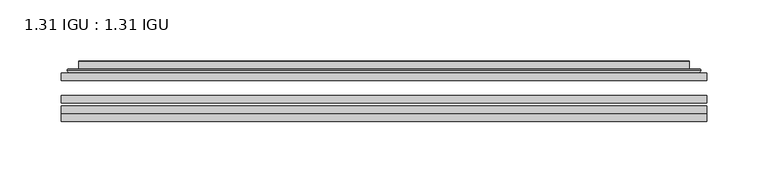
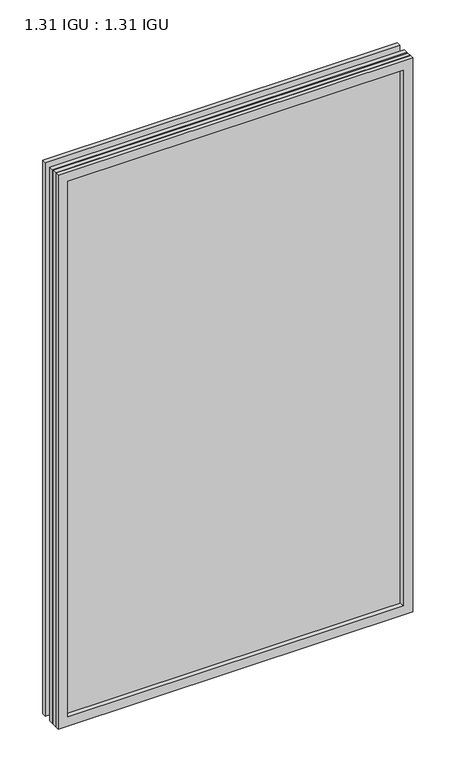
"""IFC4 building model written with IfcOpenShell, lengths in millimetres: plate geometry, 1.31 IGU : 1.31 IGU."""

from ifc_helpers import new_model, si_unit, frame, origin, place, context, project, spatial, polyline, ellipse_curve, outline, extrude, faceted_brep, source, transform, mapped, element, save
from ifc_brep_helpers import plane_surface, cylinder_surface, advanced_brep


def plate_1_31_igu_1_31_igu_712f3cf4(model_context):
    return source(origin(), model_context, "Body", "SolidModel", [
        extrude(outline(polyline([(263.539175, -63.59525), (263.539175, -69.94525), (-263.525, -69.94525), (-263.525, -63.59525), (263.539175, -63.59525)])), frame((0.0, 0.0, -14.2875), z_axis=(0.0, 0.0, 1.0), x_axis=(1.0, 0.0, 0.0)), (0.0, 0.0, 1.0), 869.9537979),
        extrude(outline(polyline([(-263.525, -78.58125), (-263.525, -72.230745), (263.539175, -72.230745), (263.539175, -78.58125), (-263.525, -78.58125)])), frame((0.0, 0.0, -14.2875), z_axis=(0.0, 0.0, 1.0), x_axis=(1.0, 0.0, 0.0)), (0.0, 0.0, 1.0), 869.9537979),
        extrude(outline(polyline([(263.539175, -45.25645), (263.539175, -51.60645), (-263.525, -51.60645), (-263.525, -45.25645), (263.539175, -45.25645)])), frame((0.0, 0.0, -14.2875), z_axis=(0.0, 0.0, 1.0), x_axis=(1.0, 0.0, 0.0)), (0.0, 0.0, 1.0), 869.9537979),
        faceted_brep([(-263.5377, -84.93125, 855.6752), (-263.5377, -78.58125, 855.6752), (-263.5377, -78.58125, -14.3002), (-263.5377, -84.93125, -14.3002), (263.5377, -78.58125, -14.3002), (263.5377, -84.93125, -14.3002), (263.5377, -78.58125, 855.6752), (263.5377, -84.93125, 855.6752), (-248.3397559, -78.58125, 0.8977441), (248.3397559, -78.58125, 0.8977441), (248.3397559, -78.58125, 840.4772559), (-248.3397559, -78.58125, 840.4772559), (-249.2321902, -84.93125, 841.3696902), (249.2321902, -84.93125, 841.3696902), (249.2321902, -84.93125, 0.0053098), (-249.2321902, -84.93125, 0.0053098)], [[[0, 1, 2, 3]], [[3, 2, 4, 5]], [[5, 4, 6, 7]], [[1, 6, 4, 2], [8, 9, 10, 11]], [[7, 6, 1, 0]], [[3, 5, 7, 0], [12, 13, 14, 15]], [[11, 12, 15, 8]], [[8, 15, 14, 9]], [[9, 14, 13, 10]], [[10, 13, 12, 11]]]),
        advanced_brep(
        [(-256.283719, -45.25645, 848.4212191), (-258.6379244, -43.2667833, 850.7754244), (-258.6379244, -43.2667833, -9.4004244), (-256.283719, -45.25645, -7.046219), (-247.2093939, -41.416413, 839.3468939), (-242.2745621, -45.25645, 834.4120621), (-242.2745621, -45.25645, 6.9629379), (-247.2093939, -41.416413, 2.0281061), (-248.2414217, -36.0191819, 840.3789217), (-248.2414217, -36.0191819, 0.9960783), (-249.2320784, -35.6202069, 841.3695784), (-249.2320784, -35.6202069, 0.0054216), (-249.2320784, -42.08145, 841.3695784), (-249.2320784, -42.08145, 0.0054216), (-257.6361349, -42.08145, 849.7736349), (-257.6361349, -42.08145, -8.3986349), (258.6379244, -43.2667833, -9.4004244), (256.283719, -45.25645, -7.046219), (242.2745621, -45.25645, 6.9629379), (247.2093939, -41.416413, 2.0281061), (248.2414217, -36.0191819, 0.9960783), (249.2320784, -35.6202069, 0.0054216), (249.2320784, -42.08145, 0.0054216), (257.6361349, -42.08145, -8.3986349), (258.6379244, -43.2667833, 850.7754244), (256.283719, -45.25645, 848.4212191), (242.2745621, -45.25645, 834.4120621), (247.2093939, -41.416413, 839.3468939), (248.2414217, -36.0191819, 840.3789217), (249.2320784, -35.6202069, 841.3695784), (249.2320784, -42.08145, 841.3695784), (257.6361349, -42.08145, 849.7736349)],
        [
            (0, 1, ellipse_curve(frame((-256.283719, -42.86885, 848.4212191), z_axis=(-0.7071067811865475, 0.0, -0.7071067811865475), x_axis=(-0.7071067811865474, 0.0, 0.7071067811865476)), 3.3765763, 2.3876)),
            (1, 2),
            (2, 3, ellipse_curve(frame((-256.283719, -42.86885, -7.046219), z_axis=(-0.7071067811865475, 0.0, 0.7071067811865475), x_axis=(0.7071067811865474, 0.0, 0.7071067811865476)), 3.3765763, 2.3876)),
            (3, 0),
            (4, 5),
            (5, 6),
            (6, 7),
            (7, 4),
            (8, 4),
            (7, 9),
            (9, 8),
            (10, 8, ellipse_curve(frame((-248.8651219, -36.1384423, 841.0026219), z_axis=(-0.7071067811865475, 0.0, -0.7071067811865475), x_axis=(-0.7071067811865474, 0.0, 0.7071067811865476)), 0.8980256, 0.635)),
            (9, 11, ellipse_curve(frame((-248.8651219, -36.1384423, 0.3723781), z_axis=(-0.7071067811865475, 0.0, 0.7071067811865475), x_axis=(0.7071067811865474, 0.0, 0.7071067811865476)), 0.8980256, 0.635)),
            (11, 10),
            (12, 10),
            (11, 13),
            (13, 12),
            (1, 14, ellipse_curve(frame((-257.6361349, -43.09745, 849.7736349), z_axis=(-0.7071067811865475, 0.0, -0.7071067811865475), x_axis=(-0.7071067811865474, 0.0, 0.7071067811865476)), 1.436841, 1.016)),
            (14, 15),
            (15, 2, ellipse_curve(frame((-257.6361349, -43.09745, -8.3986349), z_axis=(-0.7071067811865475, 0.0, 0.7071067811865475), x_axis=(0.7071067811865474, 0.0, 0.7071067811865476)), 1.436841, 1.016)),
            (2, 16),
            (16, 17, ellipse_curve(frame((256.283719, -42.86885, -7.046219), z_axis=(-0.7071067811865475, 0.0, -0.7071067811865475), x_axis=(-0.7071067811865476, 0.0, 0.7071067811865474)), 3.3765763, 2.3876)),
            (17, 3),
            (6, 18),
            (18, 19),
            (19, 7),
            (19, 20),
            (20, 9),
            (20, 21, ellipse_curve(frame((248.8651219, -36.1384423, 0.3723781), z_axis=(-0.7071067811865475, 0.0, -0.7071067811865475), x_axis=(-0.7071067811865476, 0.0, 0.7071067811865474)), 0.8980256, 0.635)),
            (21, 11),
            (21, 22),
            (22, 13),
            (15, 23),
            (23, 16, ellipse_curve(frame((257.6361349, -43.09745, -8.3986349), z_axis=(-0.7071067811865475, 0.0, -0.7071067811865475), x_axis=(-0.7071067811865476, 0.0, 0.7071067811865474)), 1.436841, 1.016)),
            (16, 24),
            (24, 25, ellipse_curve(frame((256.283719, -42.86885, 848.4212191), z_axis=(0.7071067811865475, 0.0, -0.7071067811865475), x_axis=(-0.7071067811865474, 0.0, -0.7071067811865476)), 3.3765763, 2.3876)),
            (25, 17),
            (18, 26),
            (26, 27),
            (27, 19),
            (27, 28),
            (28, 20),
            (28, 29, ellipse_curve(frame((248.8651219, -36.1384423, 841.0026219), z_axis=(0.7071067811865475, 0.0, -0.7071067811865475), x_axis=(-0.7071067811865474, 0.0, -0.7071067811865476)), 0.8980256, 0.635)),
            (29, 21),
            (29, 30),
            (30, 22),
            (23, 31),
            (31, 24, ellipse_curve(frame((257.6361349, -43.09745, 849.7736349), z_axis=(0.7071067811865475, 0.0, -0.7071067811865475), x_axis=(-0.7071067811865474, 0.0, -0.7071067811865476)), 1.436841, 1.016)),
            (24, 1),
            (0, 25),
            (5, 26),
            (4, 27),
            (8, 28),
            (10, 29),
            (12, 30),
            (14, 31),
        ],
        [
            cylinder_surface(frame((-256.283719, -42.86885, 873.125), z_axis=(0.0, 0.0, 1.0), x_axis=(-1.0, 0.0, 0.0)), 2.3876),
            plane_surface(frame((-242.2745621, -45.25645, 834.4120621), z_axis=(0.6141233906514794, 0.7892100234124821, 0.0), x_axis=(0.0, 0.0, -1.0))),
            plane_surface(frame((-247.2093939, -41.416413, 839.3468939), z_axis=(0.9822050625507729, 0.1878116479338607, 0.0), x_axis=(0.0, 0.0, -1.0))),
            cylinder_surface(frame((-248.8651219, -36.1384423, 873.125), z_axis=(0.0, 0.0, 1.0), x_axis=(-1.0, 0.0, 0.0)), 0.635),
            plane_surface(frame((-249.2320784, -35.6202069, 841.3695784), z_axis=(-1.0, 0.0, 0.0), x_axis=(0.0, 0.0, -1.0))),
            cylinder_surface(frame((-257.6361349, -43.09745, 873.125), z_axis=(0.0, 0.0, 1.0), x_axis=(-1.0, 0.0, 0.0)), 1.016),
            cylinder_surface(frame((-280.9875, -42.86885, -7.046219), z_axis=(-1.0, 0.0, 0.0), x_axis=(0.0, 0.0, -1.0)), 2.3876),
            plane_surface(frame((-242.2745621, -45.25645, 6.9629379), z_axis=(0.0, 0.7892100234124841, 0.6141233906514768), x_axis=(1.0, 0.0, 0.0))),
            plane_surface(frame((-247.2093939, -41.416413, 2.0281061), z_axis=(0.0, 0.1878116479338639, 0.9822050625507722), x_axis=(1.0, 0.0, 0.0))),
            cylinder_surface(frame((-280.9875, -36.1384423, 0.3723781), z_axis=(-1.0, 0.0, 0.0), x_axis=(0.0, 0.0, -1.0)), 0.635),
            plane_surface(frame((-249.2320784, -35.6202069, 0.0054216), z_axis=(0.0, 0.0, -1.0), x_axis=(1.0, 0.0, 0.0))),
            cylinder_surface(frame((-280.9875, -43.09745, -8.3986349), z_axis=(-1.0, 0.0, 0.0), x_axis=(0.0, 0.0, -1.0)), 1.016),
            cylinder_surface(frame((256.283719, -42.86885, -31.75), z_axis=(0.0, 0.0, -1.0), x_axis=(1.0, 0.0, 0.0)), 2.3876),
            plane_surface(frame((242.2745621, -45.25645, 6.9629379), z_axis=(-0.6141233906514743, 0.7892100234124861, 0.0), x_axis=(0.0, 0.0, 1.0))),
            plane_surface(frame((247.2093939, -41.416413, 2.0281061), z_axis=(-0.9822050625507716, 0.1878116479338671, 0.0), x_axis=(0.0, 0.0, 1.0))),
            cylinder_surface(frame((248.8651219, -36.1384423, -31.75), z_axis=(0.0, 0.0, -1.0), x_axis=(1.0, 0.0, 0.0)), 0.635),
            plane_surface(frame((249.2320784, -35.6202069, 0.0054216), z_axis=(1.0, 0.0, 0.0), x_axis=(0.0, 0.0, 1.0))),
            cylinder_surface(frame((257.6361349, -43.09745, -31.75), z_axis=(0.0, 0.0, -1.0), x_axis=(1.0, 0.0, 0.0)), 1.016),
            cylinder_surface(frame((280.9875, -42.86885, 848.4212191), z_axis=(1.0, 0.0, 0.0), x_axis=(0.0, 0.0, 1.0)), 2.3876),
            plane_surface(frame((256.283719, -45.25645, 848.4212191), z_axis=(0.0, -1.0, 0.0), x_axis=(-1.0, 0.0, 0.0))),
            plane_surface(frame((242.2745621, -45.25645, 834.4120621), z_axis=(0.0, 0.7892100234124841, -0.6141233906514768), x_axis=(-1.0, 0.0, 0.0))),
            plane_surface(frame((247.2093939, -41.416413, 839.3468939), z_axis=(0.0, 0.1878116479338639, -0.9822050625507722), x_axis=(-1.0, 0.0, 0.0))),
            cylinder_surface(frame((280.9875, -36.1384423, 841.0026219), z_axis=(1.0, 0.0, 0.0), x_axis=(0.0, 0.0, 1.0)), 0.635),
            plane_surface(frame((249.2320784, -35.6202069, 841.3695784), z_axis=(0.0, 0.0, 1.0), x_axis=(-1.0, 0.0, 0.0))),
            plane_surface(frame((249.2320784, -42.08145, 841.3695784), z_axis=(0.0, 1.0, 0.0), x_axis=(-1.0, 0.0, 0.0))),
            cylinder_surface(frame((280.9875, -43.09745, 849.7736349), z_axis=(1.0, 0.0, 0.0), x_axis=(0.0, 0.0, 1.0)), 1.016),
        ],
        [
            (0, [[1, 2, 3, 4]]),
            (1, [[5, 6, 7, 8]]),
            (2, [[9, -8, 10, 11]]),
            (3, [[12, -11, 13, 14]]),
            (4, [[15, -14, 16, 17]]),
            (5, [[18, 19, 20, -2]]),
            (6, [[-3, 21, 22, 23]]),
            (7, [[-7, 24, 25, 26]]),
            (8, [[-10, -26, 27, 28]]),
            (9, [[-13, -28, 29, 30]]),
            (10, [[-16, -30, 31, 32]]),
            (11, [[-20, 33, 34, -21]]),
            (12, [[-22, 35, 36, 37]]),
            (13, [[-25, 38, 39, 40]]),
            (14, [[-27, -40, 41, 42]]),
            (15, [[-29, -42, 43, 44]]),
            (16, [[-31, -44, 45, 46]]),
            (17, [[-34, 47, 48, -35]]),
            (18, [[-36, 49, -1, 50]]),
            (19, [[-23, -37, -50, -4], [51, -38, -24, -6]]),
            (20, [[-39, -51, -5, 52]]),
            (21, [[-41, -52, -9, 53]]),
            (22, [[-43, -53, -12, 54]]),
            (23, [[-45, -54, -15, 55]]),
            (24, [[56, -47, -33, -19], [-32, -46, -55, -17]]),
            (25, [[-48, -56, -18, -49]]),
        ],
    ),
    ])


if __name__ == "__main__":
    model = new_model("IFC4")
    model_context = context("Model", 3, world=origin())
    ifc_project = project(units=[si_unit("LENGTHUNIT", "METRE", prefix="MILLI")], contexts=[model_context])
    site = spatial("IfcSite", under=ifc_project)
    building = spatial("IfcBuilding", under=site)
    placement = place(None, origin())
    plate_1_31_igu_1_31_igu_shape = plate_1_31_igu_1_31_igu_712f3cf4(model_context)
    element("IfcPlate", 1, ObjectType="1.31 IGU : 1.31 IGU", at=placement, inside=building, context=model_context, shape_type="MappedRepresentation", body=[
        mapped(plate_1_31_igu_1_31_igu_shape, transform((0.0, 0.0, 0.0), x_axis=(1.0, 0.0, 0.0), y_axis=(0.0, 1.0, 0.0), z_axis=(0.0, 0.0, 1.0))),
    ])
    save(model, "model.ifc")
